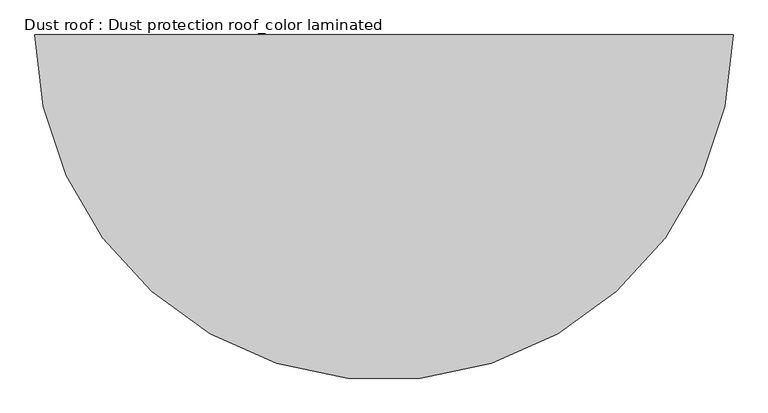
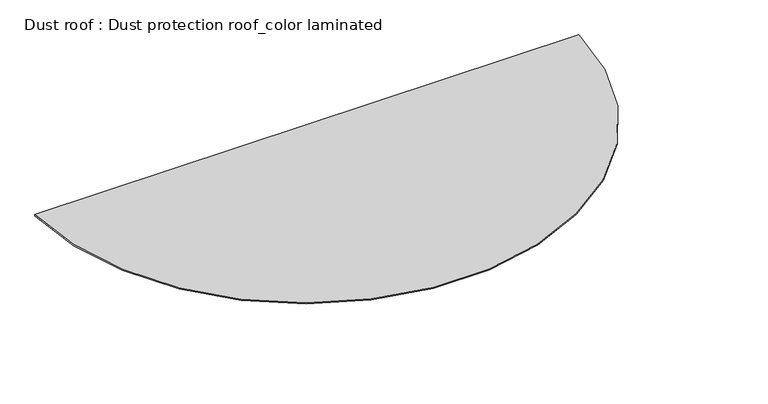
"""IFC4 building model written with IfcOpenShell, lengths in millimetres: proxy geometry, Dust roof : Dust protection roof_color laminated."""

from ifc_helpers import new_model, si_unit, point, origin, origin_with_axes, origin_2d, place, context, project, spatial, polyline, circle_curve, trimmed, segment, composite_curve, outline, extrude, source, transform, mapped, element, save


def dust_roof_dust_protection_roof_color_laminated_ce13eb2b(model_context):
    return source(origin(), model_context, "Body", "SweptSolid", [
        extrude(outline(composite_curve([segment(trimmed(circle_curve(origin_2d(), 2436.0), [point((2435.8717125, -25.0))], [point((-2435.8717125, -25.0))], False, "CARTESIAN"), True, "CONTINUOUS"), segment(polyline([(-2435.8717125, -25.0), (2435.8717125, -25.0)]), True, "CONTINUOUS")], self_intersect=False)), origin_with_axes(), (0.0, 0.0, 1.0), 10.0),
    ])


if __name__ == "__main__":
    model = new_model("IFC4")
    model_context = context("Model", 3, world=origin())
    ifc_project = project(units=[si_unit("LENGTHUNIT", "METRE", prefix="MILLI")], contexts=[model_context])
    site = spatial("IfcSite", under=ifc_project)
    building = spatial("IfcBuilding", under=site)
    placement = place(None, origin())
    dust_roof_dust_protection_roof_color_laminated_shape = dust_roof_dust_protection_roof_color_laminated_ce13eb2b(model_context)
    element("IfcBuildingElementProxy", 1, Name="Dust roof : Dust protection roof_color laminated", ObjectType="Dust roof : Dust protection roof_color laminated", at=placement, inside=building, context=model_context, shape_type="MappedRepresentation", body=[
        mapped(dust_roof_dust_protection_roof_color_laminated_shape, transform((0.0, 0.0, 0.0), x_axis=(1.0, 0.0, 0.0), y_axis=(0.0, 1.0, 0.0), z_axis=(0.0, 0.0, 1.0))),
    ])
    save(model, "model.ifc")
